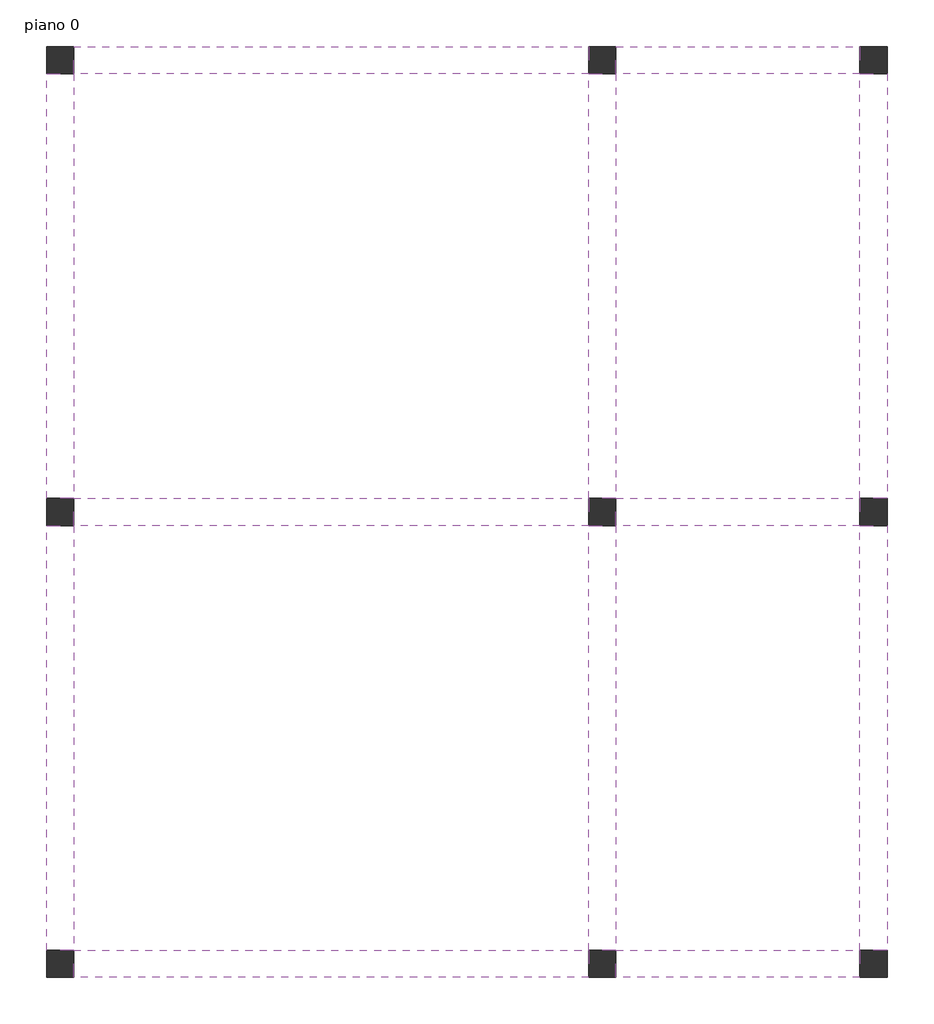
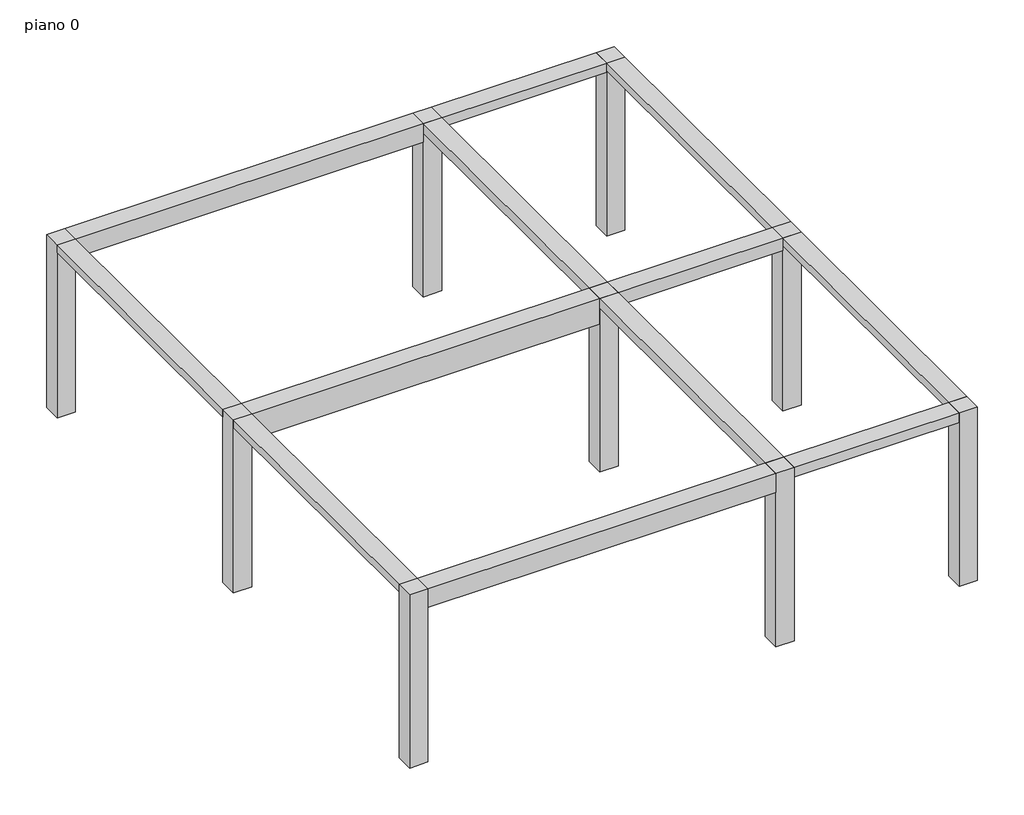
# One storey: 12 beams, 9 columns.
"""IFC4 building model written with IfcOpenShell, lengths in millimetres."""

from ifc_helpers import new_model, si_unit, frame, origin, origin_with_axes, place, context, project, spatial, polyline, outline, extrude, element, save

model = new_model("IFC4")

# Units and contexts
model_context = context("Model", 3, world=origin())
ifc_project = project(units=[si_unit("LENGTHUNIT", "METRE", prefix="MILLI")], contexts=[model_context])

# Site, building, storey
site = spatial("IfcSite", under=ifc_project)
building = spatial("IfcBuilding", under=site)
storey = spatial("IfcBuildingStorey", under=building, Name="piano 0", Elevation=0.0)

# Beams
placement = place(None, origin())
element("IfcBeam", 1, at=placement, inside=storey, context=model_context, shape_type="SweptSolid", body=[
    extrude(outline(polyline([(-14352.9918896, -7922.7549787), (-14652.9918896, -7922.7549787), (-14652.9918896, -3222.7549787), (-14352.9918896, -3222.7549787), (-14352.9918896, -7922.7549787)])), frame((0.0, 0.0, 2867.0864106), z_axis=(0.0, 0.0, 1.0), x_axis=(1.0, 0.0, 0.0)), (0.0, 0.0, 1.0), 132.9135894),
])
element("IfcBeam", 2, at=placement, inside=storey, context=model_context, shape_type="SweptSolid", body=[
    extrude(outline(polyline([(-14352.9918896, -2922.7549787), (-14652.9918896, -2922.7549787), (-14652.9918896, 1777.2450213), (-14352.9918896, 1777.2450213), (-14352.9918896, -2922.7549787)])), frame((0.0, 0.0, 2867.0864106), z_axis=(0.0, 0.0, 1.0), x_axis=(1.0, 0.0, 0.0)), (0.0, 0.0, 1.0), 132.9135894),
])
element("IfcBeam", 3, at=placement, inside=storey, context=model_context, shape_type="SweptSolid", body=[
    extrude(outline(polyline([(-8352.9918896, -7922.7549787), (-8652.9918896, -7922.7549787), (-8652.9918896, -3222.7549787), (-8352.9918896, -3222.7549787), (-8352.9918896, -7922.7549787)])), frame((0.0, 0.0, 2835.1409822), z_axis=(0.0, 0.0, 1.0), x_axis=(1.0, 0.0, 0.0)), (0.0, 0.0, 1.0), 164.8590178),
])
element("IfcBeam", 4, at=placement, inside=storey, context=model_context, shape_type="SweptSolid", body=[
    extrude(outline(polyline([(-8352.9918896, -2922.7549787), (-8652.9918896, -2922.7549787), (-8652.9918896, 1777.2450213), (-8352.9918896, 1777.2450213), (-8352.9918896, -2922.7549787)])), frame((0.0, 0.0, 2835.1409822), z_axis=(0.0, 0.0, 1.0), x_axis=(1.0, 0.0, 0.0)), (0.0, 0.0, 1.0), 164.8590178),
])
element("IfcBeam", 5, at=placement, inside=storey, context=model_context, shape_type="SweptSolid", body=[
    extrude(outline(polyline([(-5352.9918896, -7922.7549787), (-5652.9918896, -7922.7549787), (-5652.9918896, -3222.7549787), (-5352.9918896, -3222.7549787), (-5352.9918896, -7922.7549787)])), frame((0.0, 0.0, 2867.0864106), z_axis=(0.0, 0.0, 1.0), x_axis=(1.0, 0.0, 0.0)), (0.0, 0.0, 1.0), 132.9135894),
])
element("IfcBeam", 6, at=placement, inside=storey, context=model_context, shape_type="SweptSolid", body=[
    extrude(outline(polyline([(-5352.9918896, -2922.7549787), (-5652.9918896, -2922.7549787), (-5652.9918896, 1777.2450213), (-5352.9918896, 1777.2450213), (-5352.9918896, -2922.7549787)])), frame((0.0, 0.0, 2867.0864106), z_axis=(0.0, 0.0, 1.0), x_axis=(1.0, 0.0, 0.0)), (0.0, 0.0, 1.0), 132.9135894),
])
element("IfcBeam", 7, at=placement, inside=storey, context=model_context, shape_type="SweptSolid", body=[
    extrude(outline(polyline([(-8352.9918896, -8222.7549787), (-8352.9918896, -7922.7549787), (-5652.9918896, -7922.7549787), (-5652.9918896, -8222.7549787), (-8352.9918896, -8222.7549787)])), frame((0.0, 0.0, 2838.9773775), z_axis=(0.0, 0.0, 1.0), x_axis=(1.0, 0.0, 0.0)), (0.0, 0.0, 1.0), 161.0226225),
])
element("IfcBeam", 8, at=placement, inside=storey, context=model_context, shape_type="SweptSolid", body=[
    extrude(outline(polyline([(-14352.9918896, -8222.7549787), (-14352.9918896, -7922.7549787), (-8652.9918896, -7922.7549787), (-8652.9918896, -8222.7549787), (-14352.9918896, -8222.7549787)])), frame((0.0, 0.0, 2677.954755), z_axis=(0.0, 0.0, 1.0), x_axis=(1.0, 0.0, 0.0)), (0.0, 0.0, 1.0), 322.045245),
])
element("IfcBeam", 9, at=placement, inside=storey, context=model_context, shape_type="SweptSolid", body=[
    extrude(outline(polyline([(-8352.9918896, -3222.7549787), (-8352.9918896, -2922.7549787), (-5652.9918896, -2922.7549787), (-5652.9918896, -3222.7549787), (-8352.9918896, -3222.7549787)])), frame((0.0, 0.0, 2778.8184176), z_axis=(0.0, 0.0, 1.0), x_axis=(1.0, 0.0, 0.0)), (0.0, 0.0, 1.0), 221.1815824),
])
element("IfcBeam", 10, at=placement, inside=storey, context=model_context, shape_type="SweptSolid", body=[
    extrude(outline(polyline([(-14352.9918896, -3222.7549787), (-14352.9918896, -2922.7549787), (-8652.9918896, -2922.7549787), (-8652.9918896, -3222.7549787), (-14352.9918896, -3222.7549787)])), frame((0.0, 0.0, 2557.6368353), z_axis=(0.0, 0.0, 1.0), x_axis=(1.0, 0.0, 0.0)), (0.0, 0.0, 1.0), 442.3631647),
])
element("IfcBeam", 11, at=placement, inside=storey, context=model_context, shape_type="SweptSolid", body=[
    extrude(outline(polyline([(-8352.9918896, 1777.2450213), (-8352.9918896, 2077.2450213), (-5652.9918896, 2077.2450213), (-5652.9918896, 1777.2450213), (-8352.9918896, 1777.2450213)])), frame((0.0, 0.0, 2838.9773775), z_axis=(0.0, 0.0, 1.0), x_axis=(1.0, 0.0, 0.0)), (0.0, 0.0, 1.0), 161.0226225),
])
element("IfcBeam", 12, at=placement, inside=storey, context=model_context, shape_type="SweptSolid", body=[
    extrude(outline(polyline([(-14352.9918896, 1777.2450213), (-14352.9918896, 2077.2450213), (-8652.9918896, 2077.2450213), (-8652.9918896, 1777.2450213), (-14352.9918896, 1777.2450213)])), frame((0.0, 0.0, 2677.954755), z_axis=(0.0, 0.0, 1.0), x_axis=(1.0, 0.0, 0.0)), (0.0, 0.0, 1.0), 322.045245),
])

# Columns
element("IfcColumn", 13, ObjectType="pilastro CA bis : piano1", at=placement, inside=storey, context=model_context, shape_type="SweptSolid", body=[
    extrude(outline(polyline([(-14652.9918896, -8222.7549787), (-14652.9918896, -7922.7549787), (-14352.9918896, -7922.7549787), (-14352.9918896, -8222.7549787), (-14652.9918896, -8222.7549787)])), origin_with_axes(), (0.0, 0.0, 1.0), 3000.0),
])
element("IfcColumn", 14, ObjectType="pilastro CA bis : piano1", at=placement, inside=storey, context=model_context, shape_type="SweptSolid", body=[
    extrude(outline(polyline([(-14652.9918896, -3222.7549787), (-14652.9918896, -2922.7549787), (-14352.9918896, -2922.7549787), (-14352.9918896, -3222.7549787), (-14652.9918896, -3222.7549787)])), origin_with_axes(), (0.0, 0.0, 1.0), 3000.0),
])
element("IfcColumn", 15, ObjectType="pilastro CA bis : piano1", at=placement, inside=storey, context=model_context, shape_type="SweptSolid", body=[
    extrude(outline(polyline([(-14652.9918896, 1777.2450213), (-14652.9918896, 2077.2450213), (-14352.9918896, 2077.2450213), (-14352.9918896, 1777.2450213), (-14652.9918896, 1777.2450213)])), origin_with_axes(), (0.0, 0.0, 1.0), 3000.0),
])
element("IfcColumn", 16, ObjectType="pilastro CA bis : piano1", at=placement, inside=storey, context=model_context, shape_type="SweptSolid", body=[
    extrude(outline(polyline([(-8652.9918896, -8222.7549787), (-8652.9918896, -7922.7549787), (-8352.9918896, -7922.7549787), (-8352.9918896, -8222.7549787), (-8652.9918896, -8222.7549787)])), origin_with_axes(), (0.0, 0.0, 1.0), 3000.0),
])
element("IfcColumn", 17, ObjectType="pilastro CA bis : piano1", at=placement, inside=storey, context=model_context, shape_type="SweptSolid", body=[
    extrude(outline(polyline([(-8652.9918896, -3222.7549787), (-8652.9918896, -2922.7549787), (-8352.9918896, -2922.7549787), (-8352.9918896, -3222.7549787), (-8652.9918896, -3222.7549787)])), origin_with_axes(), (0.0, 0.0, 1.0), 3000.0),
])
element("IfcColumn", 18, ObjectType="pilastro CA bis : piano1", at=placement, inside=storey, context=model_context, shape_type="SweptSolid", body=[
    extrude(outline(polyline([(-8652.9918896, 1777.2450213), (-8652.9918896, 2077.2450213), (-8352.9918896, 2077.2450213), (-8352.9918896, 1777.2450213), (-8652.9918896, 1777.2450213)])), origin_with_axes(), (0.0, 0.0, 1.0), 3000.0),
])
element("IfcColumn", 19, ObjectType="pilastro CA bis : piano1", at=placement, inside=storey, context=model_context, shape_type="SweptSolid", body=[
    extrude(outline(polyline([(-5652.9918896, -8222.7549787), (-5652.9918896, -7922.7549787), (-5352.9918896, -7922.7549787), (-5352.9918896, -8222.7549787), (-5652.9918896, -8222.7549787)])), origin_with_axes(), (0.0, 0.0, 1.0), 3000.0),
])
element("IfcColumn", 20, ObjectType="pilastro CA bis : piano1", at=placement, inside=storey, context=model_context, shape_type="SweptSolid", body=[
    extrude(outline(polyline([(-5652.9918896, -3222.7549787), (-5652.9918896, -2922.7549787), (-5352.9918896, -2922.7549787), (-5352.9918896, -3222.7549787), (-5652.9918896, -3222.7549787)])), origin_with_axes(), (0.0, 0.0, 1.0), 3000.0),
])
element("IfcColumn", 21, ObjectType="pilastro CA bis : piano1", at=placement, inside=storey, context=model_context, shape_type="SweptSolid", body=[
    extrude(outline(polyline([(-5652.9918896, 1777.2450213), (-5652.9918896, 2077.2450213), (-5352.9918896, 2077.2450213), (-5352.9918896, 1777.2450213), (-5652.9918896, 1777.2450213)])), origin_with_axes(), (0.0, 0.0, 1.0), 3000.0),
])

save(model, "model.ifc")
